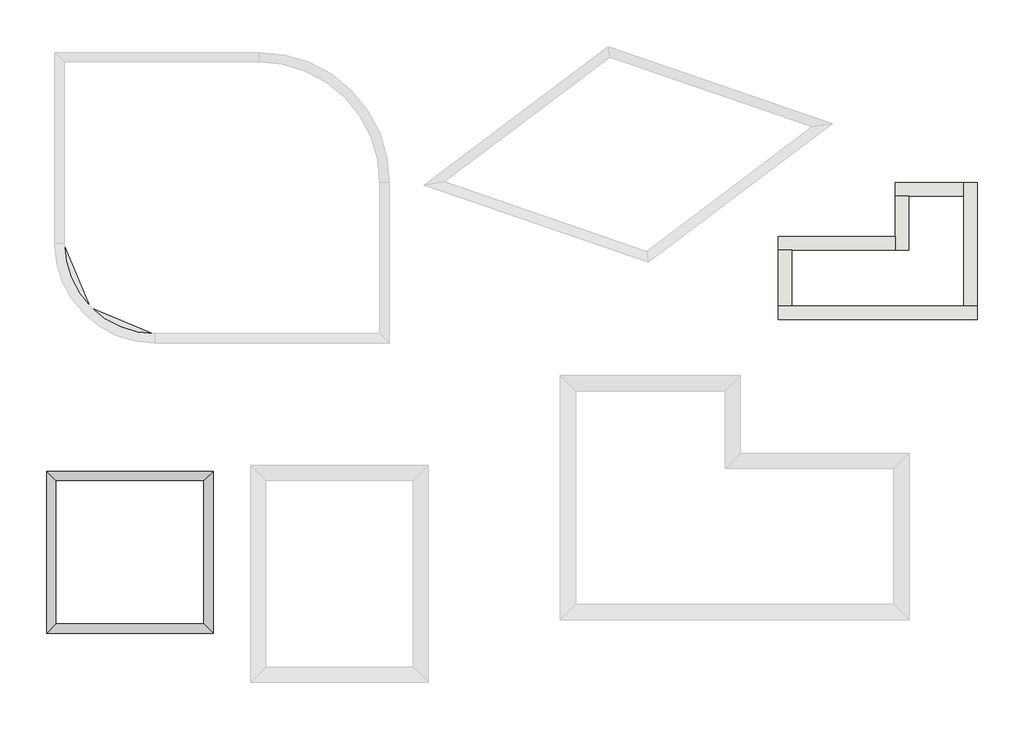
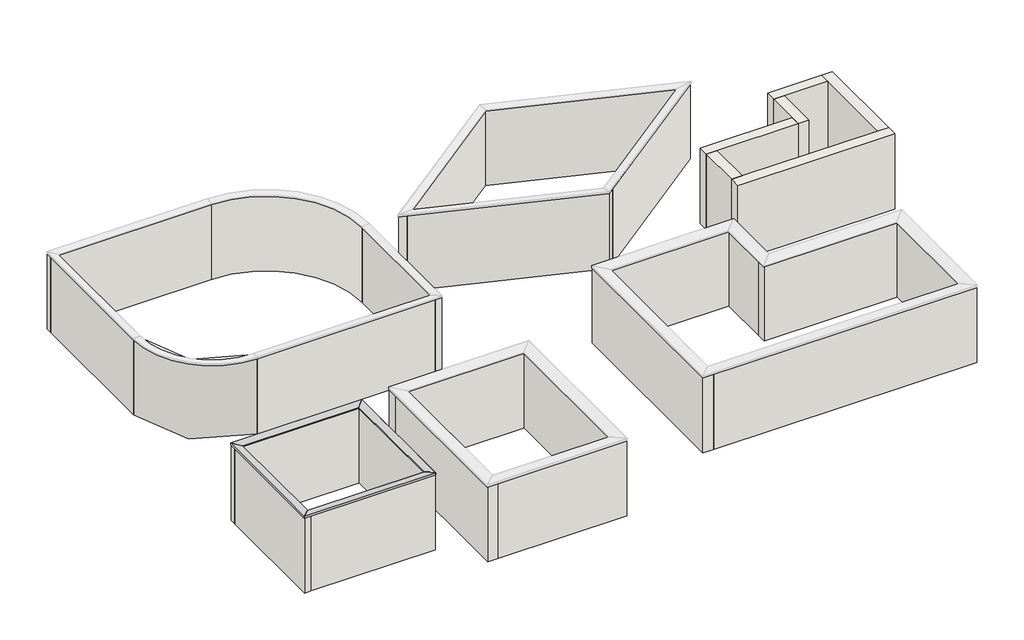
# Not in any storey, part 1 of 2: 30 walls, 1 proxy.
"""IFC4 building model written with IfcOpenShell, lengths in millimetres."""

from ifc_helpers import new_model, si_unit, point, frame_2d, origin, origin_with_axes, place, context, project, spatial, polyline, circle_curve, trimmed, segment, composite_curve, outline, extrude, faceted_brep, element, save

model = new_model("IFC4")

# Units and contexts
model_context = context("Model", 3, world=origin())
ifc_project = project(units=[si_unit("LENGTHUNIT", "METRE", prefix="MILLI")], contexts=[model_context])

# Site, building
site = spatial("IfcSite", under=ifc_project)
building = spatial("IfcBuilding", under=site)

# Proxy
placement = place(None, origin())
element("IfcBuildingElementProxy", 1, Name="attika_250", ObjectType="attika_250", at=placement, inside=building, context=model_context, shape_type="Brep", body=[
    faceted_brep([(3063.1331821, 9018.5365693, 3030.1815044), (2783.1469979, 9298.5227535, 3063.3429912), (2783.1469979, 9298.5227535, 2986.1848766), (2788.1331821, 9293.5365693, 2986.1848766), (2788.1331821, 9293.5365693, 3057.7174811), (3058.1331821, 9023.5365693, 3025.7387553), (3058.1331821, 9023.5365693, 2988.5646791), (3063.1331821, 9018.5365693, 2988.5646791), (7445.5959506, 9018.5365693, 3030.1815044), (7445.5959506, 9018.5365693, 2988.5646791), (7450.5959506, 9023.5365693, 2988.5646791), (7450.5959506, 9023.5365693, 3025.7387553), (7720.5959506, 9293.5365693, 3057.7174811), (7720.5959506, 9293.5365693, 2986.1848766), (7725.5821348, 9298.5227535, 2986.1848766), (7725.5821348, 9298.5227535, 3063.3429912)], [[[0, 1, 2, 3, 4, 5, 6, 7]], [[8, 9, 10, 11, 12, 13, 14, 15]], [[1, 0, 8, 15]], [[2, 1, 15, 14]], [[3, 2, 14, 13]], [[4, 3, 13, 12]], [[5, 4, 12, 11]], [[6, 5, 11, 10]], [[7, 6, 10, 9]], [[0, 7, 9, 8]]]),
    faceted_brep([(3063.1331821, 4768.5365693, 3030.1815044), (2783.1469979, 4488.5503851, 3063.3429912), (2783.1469979, 4488.5503851, 2986.1848766), (2788.1331821, 4493.5365693, 2986.1848766), (2788.1331821, 4493.5365693, 3057.7174811), (3058.1331821, 4763.5365693, 3025.7387553), (3058.1331821, 4763.5365693, 2988.5646791), (3063.1331821, 4768.5365693, 2988.5646791), (3063.1331821, 9018.5365693, 3030.1815044), (3063.1331821, 9018.5365693, 2988.5646791), (3058.1331821, 9023.5365693, 2988.5646791), (3058.1331821, 9023.5365693, 3025.7387553), (2788.1331821, 9293.5365693, 3057.7174811), (2788.1331821, 9293.5365693, 2986.1848766), (2783.1469979, 9298.5227535, 2986.1848766), (2783.1469979, 9298.5227535, 3063.3429912)], [[[0, 1, 2, 3, 4, 5, 6, 7]], [[8, 9, 10, 11, 12, 13, 14, 15]], [[1, 0, 8, 15]], [[2, 1, 15, 14]], [[3, 2, 14, 13]], [[4, 3, 13, 12]], [[5, 4, 12, 11]], [[6, 5, 11, 10]], [[7, 6, 10, 9]], [[0, 7, 9, 8]]]),
    faceted_brep([(7445.5959506, 4768.5365693, 3030.1815044), (7725.5821348, 4488.5503851, 3063.3429912), (7725.5821348, 4488.5503851, 2986.1848766), (7720.5959506, 4493.5365693, 2986.1848766), (7720.5959506, 4493.5365693, 3057.7174811), (7450.5959506, 4763.5365693, 3025.7387553), (7450.5959506, 4763.5365693, 2988.5646791), (7445.5959506, 4768.5365693, 2988.5646791), (3063.1331821, 4768.5365693, 3030.1815044), (3063.1331821, 4768.5365693, 2988.5646791), (3058.1331821, 4763.5365693, 2988.5646791), (3058.1331821, 4763.5365693, 3025.7387553), (2788.1331821, 4493.5365693, 3057.7174811), (2788.1331821, 4493.5365693, 2986.1848766), (2783.1469979, 4488.5503851, 2986.1848766), (2783.1469979, 4488.5503851, 3063.3429912)], [[[0, 1, 2, 3, 4, 5, 6, 7]], [[8, 9, 10, 11, 12, 13, 14, 15]], [[1, 0, 8, 15]], [[2, 1, 15, 14]], [[3, 2, 14, 13]], [[4, 3, 13, 12]], [[5, 4, 12, 11]], [[6, 5, 11, 10]], [[7, 6, 10, 9]], [[0, 7, 9, 8]]]),
    faceted_brep([(7445.5959506, 9018.5365693, 3030.1815044), (7725.5821348, 9298.5227535, 3063.3429912), (7725.5821348, 9298.5227535, 2986.1848766), (7720.5959506, 9293.5365693, 2986.1848766), (7720.5959506, 9293.5365693, 3057.7174811), (7450.5959506, 9023.5365693, 3025.7387553), (7450.5959506, 9023.5365693, 2988.5646791), (7445.5959506, 9018.5365693, 2988.5646791), (7445.5959506, 4768.5365693, 3030.1815044), (7445.5959506, 4768.5365693, 2988.5646791), (7450.5959506, 4763.5365693, 2988.5646791), (7450.5959506, 4763.5365693, 3025.7387553), (7720.5959506, 4493.5365693, 3057.7174811), (7720.5959506, 4493.5365693, 2986.1848766), (7725.5821348, 4488.5503851, 2986.1848766), (7725.5821348, 4488.5503851, 3063.3429912)], [[[0, 1, 2, 3, 4, 5, 6, 7]], [[8, 9, 10, 11, 12, 13, 14, 15]], [[1, 0, 8, 15]], [[2, 1, 15, 14]], [[3, 2, 14, 13]], [[4, 3, 13, 12]], [[5, 4, 12, 11]], [[6, 5, 11, 10]], [[7, 6, 10, 9]], [[0, 7, 9, 8]]]),
])

# Walls
element("IfcWall", 2, ObjectType="Ziegel 240", at=placement, inside=building, context=model_context, shape_type="Brep", body=[
    faceted_brep([(2798.1331821, 9043.5365693, 0.0), (3038.1331821, 9043.5365693, 0.0), (7470.5959506, 9043.5365693, 0.0), (7470.5959506, 9043.5365693, 3000.0), (3038.1331821, 9043.5365693, 3000.0), (2798.1331821, 9043.5365693, 3000.0), (7470.5959506, 9283.5365693, 0.0), (2798.1331821, 9283.5365693, 0.0), (2798.1331821, 9283.5365693, 3000.0), (7470.5959506, 9283.5365693, 3000.0)], [[[0, 1, 2, 3, 4, 5]], [[6, 7, 8, 9]], [[2, 1, 0, 7, 6]], [[5, 4, 3, 9, 8]], [[0, 5, 8, 7]], [[3, 2, 6, 9]]]),
])
element("IfcWall", 3, ObjectType="Ziegel 240", at=placement, inside=building, context=model_context, shape_type="Brep", body=[
    faceted_brep([(3038.1331821, 4503.5365693, 0.0), (3038.1331821, 4743.5365693, 0.0), (3038.1331821, 9043.5365693, 0.0), (3038.1331821, 9043.5365693, 3000.0), (3038.1331821, 4743.5365693, 3000.0), (3038.1331821, 4503.5365693, 3000.0), (2798.1331821, 9043.5365693, 0.0), (2798.1331821, 4503.5365693, 0.0), (2798.1331821, 4503.5365693, 3000.0), (2798.1331821, 9043.5365693, 3000.0)], [[[0, 1, 2, 3, 4, 5]], [[6, 7, 8, 9]], [[2, 1, 0, 7, 6]], [[5, 4, 3, 9, 8]], [[0, 5, 8, 7]], [[3, 2, 6, 9]]]),
])
element("IfcWall", 4, ObjectType="Ziegel 240", at=placement, inside=building, context=model_context, shape_type="Brep", body=[
    faceted_brep([(7710.5959506, 4743.5365693, 0.0), (7470.5959506, 4743.5365693, 0.0), (3038.1331821, 4743.5365693, 0.0), (3038.1331821, 4743.5365693, 3000.0), (7470.5959506, 4743.5365693, 3000.0), (7710.5959506, 4743.5365693, 3000.0), (3038.1331821, 4503.5365693, 0.0), (7710.5959506, 4503.5365693, 0.0), (7710.5959506, 4503.5365693, 3000.0), (3038.1331821, 4503.5365693, 3000.0)], [[[0, 1, 2, 3, 4, 5]], [[6, 7, 8, 9]], [[2, 1, 0, 7, 6]], [[5, 4, 3, 9, 8]], [[0, 5, 8, 7]], [[3, 2, 6, 9]]]),
])
element("IfcWall", 5, ObjectType="Ziegel 240", at=placement, inside=building, context=model_context, shape_type="Brep", body=[
    faceted_brep([(7470.5959506, 9283.5365693, 0.0), (7470.5959506, 9043.5365693, 0.0), (7470.5959506, 4743.5365693, 0.0), (7470.5959506, 4743.5365693, 3000.0), (7470.5959506, 9043.5365693, 3000.0), (7470.5959506, 9283.5365693, 3000.0), (7710.5959506, 4743.5365693, 0.0), (7710.5959506, 9283.5365693, 0.0), (7710.5959506, 9283.5365693, 3000.0), (7710.5959506, 4743.5365693, 3000.0)], [[[0, 1, 2, 3, 4, 5]], [[6, 7, 8, 9]], [[2, 1, 0, 7, 6]], [[5, 4, 3, 9, 8]], [[0, 5, 8, 7]], [[3, 2, 6, 9]]]),
])
element("IfcWall", 6, ObjectType="Ziegel 240", at=placement, inside=building, context=model_context, shape_type="Brep", body=[
    faceted_brep([(12924.5461847, 13114.710362, 0.0), (12924.5461847, 17854.710362, 0.0), (12924.5461847, 17854.710362, 3000.0), (12924.5461847, 13114.710362, 3000.0), (12684.5461847, 17854.710362, 0.0), (12684.5461847, 13354.710362, 0.0), (12684.5461847, 13114.710362, 0.0), (12684.5461847, 13114.710362, 3000.0), (12684.5461847, 13354.710362, 3000.0), (12684.5461847, 17854.710362, 3000.0)], [[[0, 1, 2, 3]], [[4, 5, 6, 7, 8, 9]], [[1, 0, 6, 5, 4]], [[2, 1, 4, 9]], [[3, 2, 9, 8, 7]], [[0, 3, 7, 6]]]),
])
element("IfcWall", 7, ObjectType="Ziegel 240", at=placement, inside=building, context=model_context, shape_type="Brep", body=[
    faceted_brep([(3044.5461847, 21454.710362, 0.0), (3284.5461847, 21454.710362, 0.0), (9084.5461847, 21454.710362, 0.0), (9084.5461847, 21454.710362, 3000.0), (3284.5461847, 21454.710362, 3000.0), (3044.5461847, 21454.710362, 3000.0), (9084.5461847, 21694.710362, 0.0), (3044.5461847, 21694.710362, 0.0), (3044.5461847, 21694.710362, 3000.0), (9084.5461847, 21694.710362, 3000.0)], [[[0, 1, 2, 3, 4, 5]], [[6, 7, 8, 9]], [[2, 1, 0, 7, 6]], [[3, 2, 6, 9]], [[5, 4, 3, 9, 8]], [[0, 5, 8, 7]]]),
])
element("IfcWall", 8, ObjectType="Ziegel 240", at=placement, inside=building, context=model_context, shape_type="SweptSolid", body=[
    extrude(outline(composite_curve([segment(trimmed(circle_curve(frame_2d((9084.5461847, 17854.710362)), 3840.0), [point((9084.5461847, 21694.710362))], [point((12924.5461847, 17854.710362))], False, "CARTESIAN"), True, "CONTINUOUS"), segment(polyline([(12924.5461847, 17854.710362), (12684.5461847, 17854.710362)]), True, "CONTINUOUS"), segment(trimmed(circle_curve(frame_2d((9084.5461847, 17854.710362)), 3600.0), [point((12684.5461847, 17854.710362))], [point((9084.5461847, 21454.710362))], True, "CARTESIAN"), True, "CONTINUOUS"), segment(polyline([(9084.5461847, 21454.710362), (9084.5461847, 21694.710362)]), True, "CONTINUOUS")], self_intersect=False)), origin_with_axes(), (0.0, 0.0, 1.0), 3000.0),
])
element("IfcWall", 9, ObjectType="Ziegel 240", at=placement, inside=building, context=model_context, shape_type="SweptSolid", body=[
    extrude(outline(composite_curve([segment(trimmed(circle_curve(frame_2d((5984.5461847, 16054.710362)), 2700.0), [point((3284.5461847, 16054.710362))], [point((5984.5461847, 13354.710362))], True, "CARTESIAN"), True, "CONTINUOUS"), segment(polyline([(5984.5461847, 13354.710362), (5984.5461847, 13114.710362)]), True, "CONTINUOUS"), segment(trimmed(circle_curve(frame_2d((5984.5461847, 16054.710362)), 2940.0), [point((5984.5461847, 13114.710362))], [point((3044.5461847, 16054.710362))], False, "CARTESIAN"), True, "CONTINUOUS"), segment(polyline([(3044.5461847, 16054.710362), (3284.5461847, 16054.710362)]), True, "CONTINUOUS")], self_intersect=False)), origin_with_axes(), (0.0, 0.0, 1.0), 3000.0),
])
element("IfcWall", 10, ObjectType="Ziegel 240", at=placement, inside=building, context=model_context, shape_type="Brep", body=[
    faceted_brep([(19423.8044655, 21869.957914, 0.0), (14009.8666297, 17790.2631308, 0.0), (14009.8666297, 17790.2631308, 3000.0), (19423.8044655, 21869.957914, 3000.0), (14283.586984, 17696.0136544, 0.0), (14514.7858208, 17870.2344743, 0.0), (19466.3259831, 21601.4876178, 0.0), (19697.5248199, 21775.7084376, 0.0), (19697.5248199, 21775.7084376, 3000.0), (19466.3259831, 21601.4876178, 3000.0), (14514.7858208, 17870.2344743, 3000.0), (14283.586984, 17696.0136544, 3000.0)], [[[0, 1, 2, 3]], [[4, 5, 6, 7, 8, 9, 10, 11]], [[1, 0, 7, 6, 5, 4]], [[3, 2, 11, 10, 9, 8]], [[2, 1, 4, 11]], [[0, 3, 8, 7]]]),
])
element("IfcWall", 11, ObjectType="Ziegel 240", at=placement, inside=building, context=model_context, shape_type="Brep", body=[
    faceted_brep([(14283.586984, 17696.0136544, 0.0), (20608.6262222, 15518.1279896, 0.0), (20608.6262222, 15518.1279896, 3000.0), (14283.586984, 17696.0136544, 3000.0), (20839.825059, 15692.3488094, 0.0), (20566.1047046, 15786.5982857, 0.0), (14514.7858208, 17870.2344743, 0.0), (14514.7858208, 17870.2344743, 3000.0), (20566.1047046, 15786.5982857, 3000.0), (20839.825059, 15692.3488094, 3000.0)], [[[0, 1, 2, 3]], [[4, 5, 6, 7, 8, 9]], [[1, 0, 6, 5, 4]], [[3, 2, 9, 8, 7]], [[0, 3, 7, 6]], [[2, 1, 4, 9]]]),
])
element("IfcWall", 12, ObjectType="Ziegel 240", at=placement, inside=building, context=model_context, shape_type="Brep", body=[
    faceted_brep([(20839.825059, 15692.3488094, 0.0), (26022.5640581, 19597.8227728, 0.0), (26022.5640581, 19597.8227728, 3000.0), (20839.825059, 15692.3488094, 3000.0), (25748.8437037, 19692.0722491, 0.0), (25517.6448669, 19517.8514293, 0.0), (20566.1047046, 15786.5982857, 0.0), (20566.1047046, 15786.5982857, 3000.0), (25517.6448669, 19517.8514293, 3000.0), (25748.8437037, 19692.0722491, 3000.0)], [[[0, 1, 2, 3]], [[4, 5, 6, 7, 8, 9]], [[1, 0, 6, 5, 4]], [[3, 2, 9, 8, 7]], [[0, 3, 7, 6]], [[2, 1, 4, 9]]]),
])
element("IfcWall", 13, ObjectType="Ziegel 240", at=placement, inside=building, context=model_context, shape_type="SweptSolid", body=[
    extrude(outline(polyline([(19697.5248199, 21775.7084376), (25748.8437037, 19692.0722491), (25517.6448669, 19517.8514293), (19466.3259831, 21601.4876178), (19697.5248199, 21775.7084376)])), origin_with_axes(), (0.0, 0.0, 1.0), 3000.0),
])
element("IfcWall", 14, ObjectType="Ziegel 240", at=placement, inside=building, context=model_context, shape_type="SweptSolid", body=[
    extrude(outline(polyline([(12684.5461847, 13114.710362), (5984.5461847, 13114.710362), (5984.5461847, 13354.710362), (12684.5461847, 13354.710362), (12684.5461847, 13114.710362)])), origin_with_axes(), (0.0, 0.0, 1.0), 3000.0),
])
element("IfcWall", 15, ObjectType="Ziegel 240", at=placement, inside=building, context=model_context, shape_type="SweptSolid", body=[
    extrude(outline(polyline([(3284.5461847, 21454.710362), (3284.5461847, 16054.710362), (3044.5461847, 16054.710362), (3044.5461847, 21454.710362), (3284.5461847, 21454.710362)])), origin_with_axes(), (0.0, 0.0, 1.0), 3000.0),
])
element("IfcWall", 16, ObjectType="Ziegel 400", at=placement, inside=building, context=model_context, shape_type="Brep", body=[
    faceted_brep([(18017.4848915, 12114.891992, 0.0), (18017.4848915, 4914.891992, 0.0), (18017.4848915, 4914.891992, 3000.0), (18017.4848915, 12114.891992, 3000.0), (18417.4848915, 4914.891992, 0.0), (18417.4848915, 5314.891992, 0.0), (18417.4848915, 11714.891992, 0.0), (18417.4848915, 12114.891992, 0.0), (18417.4848915, 12114.891992, 3000.0), (18417.4848915, 11714.891992, 3000.0), (18417.4848915, 5314.891992, 3000.0), (18417.4848915, 4914.891992, 3000.0)], [[[0, 1, 2, 3]], [[4, 5, 6, 7, 8, 9, 10, 11]], [[1, 0, 7, 6, 5, 4]], [[3, 2, 11, 10, 9, 8]], [[2, 1, 4, 11]], [[0, 3, 8, 7]]]),
])
element("IfcWall", 17, ObjectType="Ziegel 400", at=placement, inside=building, context=model_context, shape_type="Brep", body=[
    faceted_brep([(18417.4848915, 4914.891992, 0.0), (28317.4848915, 4914.891992, 0.0), (28317.4848915, 4914.891992, 3000.0), (18417.4848915, 4914.891992, 3000.0), (28317.4848915, 5314.891992, 0.0), (27917.4848915, 5314.891992, 0.0), (18417.4848915, 5314.891992, 0.0), (18417.4848915, 5314.891992, 3000.0), (27917.4848915, 5314.891992, 3000.0), (28317.4848915, 5314.891992, 3000.0)], [[[0, 1, 2, 3]], [[4, 5, 6, 7, 8, 9]], [[1, 0, 6, 5, 4]], [[3, 2, 9, 8, 7]], [[0, 3, 7, 6]], [[2, 1, 4, 9]]]),
])
element("IfcWall", 18, ObjectType="Ziegel 400", at=placement, inside=building, context=model_context, shape_type="Brep", body=[
    faceted_brep([(28317.4848915, 5314.891992, 0.0), (28317.4848915, 9814.891992, 0.0), (28317.4848915, 9814.891992, 3000.0), (28317.4848915, 5314.891992, 3000.0), (27917.4848915, 9814.891992, 0.0), (27917.4848915, 9414.891992, 0.0), (27917.4848915, 5314.891992, 0.0), (27917.4848915, 5314.891992, 3000.0), (27917.4848915, 9414.891992, 3000.0), (27917.4848915, 9814.891992, 3000.0)], [[[0, 1, 2, 3]], [[4, 5, 6, 7, 8, 9]], [[1, 0, 6, 5, 4]], [[3, 2, 9, 8, 7]], [[0, 3, 7, 6]], [[2, 1, 4, 9]]]),
])
element("IfcWall", 19, ObjectType="Ziegel 400", at=placement, inside=building, context=model_context, shape_type="Brep", body=[
    faceted_brep([(27917.4848915, 9814.891992, 0.0), (23317.4848915, 9814.891992, 0.0), (22917.4848915, 9814.891992, 0.0), (22917.4848915, 9814.891992, 3000.0), (23317.4848915, 9814.891992, 3000.0), (27917.4848915, 9814.891992, 3000.0), (22917.4848915, 9414.891992, 0.0), (27917.4848915, 9414.891992, 0.0), (27917.4848915, 9414.891992, 3000.0), (22917.4848915, 9414.891992, 3000.0)], [[[0, 1, 2, 3, 4, 5]], [[6, 7, 8, 9]], [[2, 1, 0, 7, 6]], [[5, 4, 3, 9, 8]], [[0, 5, 8, 7]], [[3, 2, 6, 9]]]),
])
element("IfcWall", 20, ObjectType="Ziegel 400", at=placement, inside=building, context=model_context, shape_type="Brep", body=[
    faceted_brep([(23317.4848915, 9814.891992, 0.0), (23317.4848915, 12114.891992, 0.0), (23317.4848915, 12114.891992, 3000.0), (23317.4848915, 9814.891992, 3000.0), (22917.4848915, 12114.891992, 0.0), (22917.4848915, 11714.891992, 0.0), (22917.4848915, 9814.891992, 0.0), (22917.4848915, 9814.891992, 3000.0), (22917.4848915, 11714.891992, 3000.0), (22917.4848915, 12114.891992, 3000.0)], [[[0, 1, 2, 3]], [[4, 5, 6, 7, 8, 9]], [[1, 0, 6, 5, 4]], [[3, 2, 9, 8, 7]], [[0, 3, 7, 6]], [[2, 1, 4, 9]]]),
])
element("IfcWall", 21, ObjectType="Ziegel 400", at=placement, inside=building, context=model_context, shape_type="SweptSolid", body=[
    extrude(outline(polyline([(18417.4848915, 12114.891992), (22917.4848915, 12114.891992), (22917.4848915, 11714.891992), (18417.4848915, 11714.891992), (18417.4848915, 12114.891992)])), origin_with_axes(), (0.0, 0.0, 1.0), 3000.0),
])
element("IfcWall", 22, ObjectType="Ziegel 400", at=placement, inside=building, context=model_context, shape_type="Brep", body=[
    faceted_brep([(8848.0258303, 9055.0343755, 0.0), (9248.0258303, 9055.0343755, 0.0), (13680.4885987, 9055.0343755, 0.0), (13680.4885987, 9055.0343755, 3000.0), (9248.0258303, 9055.0343755, 3000.0), (8848.0258303, 9055.0343755, 3000.0), (13680.4885987, 9455.0343755, 0.0), (8848.0258303, 9455.0343755, 0.0), (8848.0258303, 9455.0343755, 3000.0), (13680.4885987, 9455.0343755, 3000.0)], [[[0, 1, 2, 3, 4, 5]], [[6, 7, 8, 9]], [[2, 1, 0, 7, 6]], [[5, 4, 3, 9, 8]], [[0, 5, 8, 7]], [[3, 2, 6, 9]]]),
])
element("IfcWall", 23, ObjectType="Ziegel 400", at=placement, inside=building, context=model_context, shape_type="Brep", body=[
    faceted_brep([(9248.0258303, 3055.0343755, 0.0), (9248.0258303, 3455.0343755, 0.0), (9248.0258303, 9055.0343755, 0.0), (9248.0258303, 9055.0343755, 3000.0), (9248.0258303, 3455.0343755, 3000.0), (9248.0258303, 3055.0343755, 3000.0), (8848.0258303, 9055.0343755, 0.0), (8848.0258303, 3055.0343755, 0.0), (8848.0258303, 3055.0343755, 3000.0), (8848.0258303, 9055.0343755, 3000.0)], [[[0, 1, 2, 3, 4, 5]], [[6, 7, 8, 9]], [[2, 1, 0, 7, 6]], [[5, 4, 3, 9, 8]], [[0, 5, 8, 7]], [[3, 2, 6, 9]]]),
])
element("IfcWall", 24, ObjectType="Ziegel 400", at=placement, inside=building, context=model_context, shape_type="Brep", body=[
    faceted_brep([(14080.4885987, 3455.0343755, 0.0), (13680.4885987, 3455.0343755, 0.0), (9248.0258303, 3455.0343755, 0.0), (9248.0258303, 3455.0343755, 3000.0), (13680.4885987, 3455.0343755, 3000.0), (14080.4885987, 3455.0343755, 3000.0), (9248.0258303, 3055.0343755, 0.0), (14080.4885987, 3055.0343755, 0.0), (14080.4885987, 3055.0343755, 3000.0), (9248.0258303, 3055.0343755, 3000.0)], [[[0, 1, 2, 3, 4, 5]], [[6, 7, 8, 9]], [[2, 1, 0, 7, 6]], [[5, 4, 3, 9, 8]], [[0, 5, 8, 7]], [[3, 2, 6, 9]]]),
])
element("IfcWall", 25, ObjectType="Ziegel 400", at=placement, inside=building, context=model_context, shape_type="Brep", body=[
    faceted_brep([(13680.4885987, 9455.0343755, 0.0), (13680.4885987, 9055.0343755, 0.0), (13680.4885987, 3455.0343755, 0.0), (13680.4885987, 3455.0343755, 3000.0), (13680.4885987, 9055.0343755, 3000.0), (13680.4885987, 9455.0343755, 3000.0), (14080.4885987, 3455.0343755, 0.0), (14080.4885987, 9455.0343755, 0.0), (14080.4885987, 9455.0343755, 3000.0), (14080.4885987, 3455.0343755, 3000.0)], [[[0, 1, 2, 3, 4, 5]], [[6, 7, 8, 9]], [[2, 1, 0, 7, 6]], [[5, 4, 3, 9, 8]], [[0, 5, 8, 7]], [[3, 2, 6, 9]]]),
])
element("IfcWall", 26, ObjectType="Ziegel 400", at=placement, inside=building, context=model_context, shape_type="Brep", body=[
    faceted_brep([(24457.969804, 13796.0267979, 0.0), (30357.969804, 13796.0267979, 0.0), (30357.969804, 13796.0267979, 3000.0), (24457.969804, 13796.0267979, 3000.0), (24457.969804, 14196.0267979, 0.0), (24457.969804, 14196.0267979, 3000.0), (24857.969804, 14196.0267979, 3000.0), (29957.969804, 14196.0267979, 3000.0), (30357.969804, 14196.0267979, 3000.0), (30357.969804, 14196.0267979, 0.0), (29957.969804, 14196.0267979, 0.0), (24857.969804, 14196.0267979, 0.0)], [[[0, 1, 2, 3]], [[4, 5, 6, 7, 8, 9, 10, 11]], [[1, 0, 4, 11, 10, 9]], [[3, 2, 8, 7, 6, 5]], [[2, 1, 9, 8]], [[0, 3, 5, 4]]]),
])
element("IfcWall", 27, ObjectType="Ziegel 400", at=placement, inside=building, context=model_context, shape_type="Brep", body=[
    faceted_brep([(30357.969804, 14196.0267979, 0.0), (30357.969804, 17851.1938962, 0.0), (30357.969804, 17851.1938962, 3000.0), (30357.969804, 14196.0267979, 3000.0), (29957.969804, 14196.0267979, 0.0), (29957.969804, 14196.0267979, 3000.0), (29957.969804, 17451.1938962, 3000.0), (29957.969804, 17851.1938962, 3000.0), (29957.969804, 17851.1938962, 0.0), (29957.969804, 17451.1938962, 0.0)], [[[0, 1, 2, 3]], [[4, 5, 6, 7, 8, 9]], [[1, 0, 4, 9, 8]], [[3, 2, 7, 6, 5]], [[0, 3, 5, 4]], [[2, 1, 8, 7]]]),
])
element("IfcWall", 28, ObjectType="Ziegel 400", at=placement, inside=building, context=model_context, shape_type="Brep", body=[
    faceted_brep([(29957.969804, 17851.1938962, 0.0), (27917.4848915, 17851.1938962, 0.0), (27917.4848915, 17851.1938962, 3000.0), (29957.969804, 17851.1938962, 3000.0), (29957.969804, 17451.1938962, 0.0), (29957.969804, 17451.1938962, 3000.0), (28317.4848915, 17451.1938962, 3000.0), (27917.4848915, 17451.1938962, 3000.0), (27917.4848915, 17451.1938962, 0.0), (28317.4848915, 17451.1938962, 0.0)], [[[0, 1, 2, 3]], [[4, 5, 6, 7, 8, 9]], [[1, 0, 4, 9, 8]], [[3, 2, 7, 6, 5]], [[0, 3, 5, 4]], [[2, 1, 8, 7]]]),
])
element("IfcWall", 29, ObjectType="Ziegel 400", at=placement, inside=building, context=model_context, shape_type="Brep", body=[
    faceted_brep([(27917.4848915, 17451.1938962, 0.0), (27917.4848915, 16251.1938962, 0.0), (27917.4848915, 15851.1938962, 0.0), (27917.4848915, 15851.1938962, 3000.0), (27917.4848915, 16251.1938962, 3000.0), (27917.4848915, 17451.1938962, 3000.0), (28317.4848915, 17451.1938962, 0.0), (28317.4848915, 17451.1938962, 3000.0), (28317.4848915, 15851.1938962, 3000.0), (28317.4848915, 15851.1938962, 0.0)], [[[0, 1, 2, 3, 4, 5]], [[6, 7, 8, 9]], [[2, 1, 0, 6, 9]], [[5, 4, 3, 8, 7]], [[0, 5, 7, 6]], [[3, 2, 9, 8]]]),
])
element("IfcWall", 30, ObjectType="Ziegel 400", at=placement, inside=building, context=model_context, shape_type="Brep", body=[
    faceted_brep([(27917.4848915, 16251.1938962, 0.0), (24457.969804, 16251.1938962, 0.0), (24457.969804, 16251.1938962, 3000.0), (27917.4848915, 16251.1938962, 3000.0), (27917.4848915, 15851.1938962, 0.0), (27917.4848915, 15851.1938962, 3000.0), (24857.969804, 15851.1938962, 3000.0), (24457.969804, 15851.1938962, 3000.0), (24457.969804, 15851.1938962, 0.0), (24857.969804, 15851.1938962, 0.0)], [[[0, 1, 2, 3]], [[4, 5, 6, 7, 8, 9]], [[1, 0, 4, 9, 8]], [[3, 2, 7, 6, 5]], [[0, 3, 5, 4]], [[2, 1, 8, 7]]]),
])
element("IfcWall", 31, ObjectType="Ziegel 400", at=placement, inside=building, context=model_context, shape_type="SweptSolid", body=[
    extrude(outline(polyline([(24457.969804, 14196.0267979), (24457.969804, 15851.1938962), (24857.969804, 15851.1938962), (24857.969804, 14196.0267979), (24457.969804, 14196.0267979)])), origin_with_axes(), (0.0, 0.0, 1.0), 3000.0),
])

save(model, "model.ifc")
